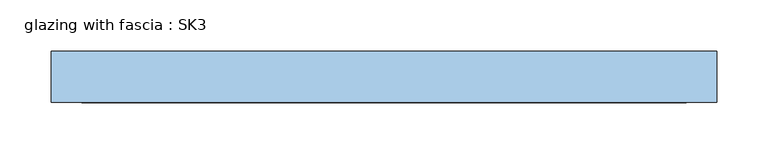
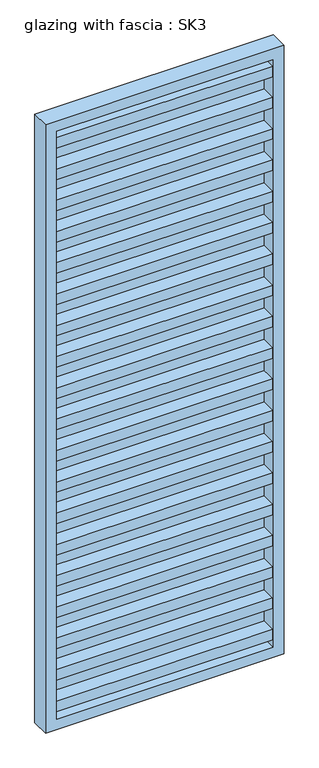
"""IFC4 building model written with IfcOpenShell, lengths in millimetres: window geometry, glazing with fascia : SK3."""

from ifc_helpers import new_model, si_unit, frame, origin, place, context, project, spatial, polyline, outline, extrude, source, transform, mapped, element, save


def glazing_with_fascia_sk3_9d59482e(model_context):
    return source(origin(), model_context, "Body", "SweptSolid", [
        extrude(outline(polyline([(295.0, -0.1334055), (295.0, -8.1334055), (-295.0, -8.1334055), (-295.0, -0.1334055), (295.0, -0.1334055)])), frame((0.0, 0.0, 30.0), z_axis=(0.0, 0.0, 1.0), x_axis=(1.0, 0.0, 0.0)), (0.0, 0.0, 1.0), 1690.0),
        extrude(outline(polyline([(1750.0, -325.0), (0.0, -325.0), (0.0, 325.0), (1750.0, 325.0), (1750.0, -325.0)]), holes=[polyline([(1720.0, -295.0), (1720.0, 295.0), (30.0, 295.0), (30.0, -295.0), (1720.0, -295.0)])]), frame((0.0, -50.0, 0.0), z_axis=(0.0, 1.0, 0.0), x_axis=(0.0, 0.0, 1.0)), (0.0, 0.0, 1.0), 50.0),
        extrude(outline(polyline([(-295.0, -48.1334055), (-295.0, -8.1334055), (295.0, -8.1334055), (295.0, -48.1334055), (-295.0, -48.1334055)])), frame((0.0, 0.0, 1580.4), z_axis=(0.0, 0.0, 1.0), x_axis=(1.0, 0.0, 0.0)), (0.0, 0.0, 1.0), 30.0),
        extrude(outline(polyline([(-295.0, -48.1334055), (-295.0, -8.1334055), (295.0, -8.1334055), (295.0, -48.1334055), (-295.0, -48.1334055)])), frame((0.0, 0.0, 1490.4), z_axis=(0.0, 0.0, 1.0), x_axis=(1.0, 0.0, 0.0)), (0.0, 0.0, 1.0), 30.0),
        extrude(outline(polyline([(-295.0, -48.1334055), (-295.0, -8.1334055), (295.0, -8.1334055), (295.0, -48.1334055), (-295.0, -48.1334055)])), frame((0.0, 0.0, 1400.4), z_axis=(0.0, 0.0, 1.0), x_axis=(1.0, 0.0, 0.0)), (0.0, 0.0, 1.0), 30.0),
        extrude(outline(polyline([(-295.0, -48.1334055), (-295.0, -8.1334055), (295.0, -8.1334055), (295.0, -48.1334055), (-295.0, -48.1334055)])), frame((0.0, 0.0, 1310.4), z_axis=(0.0, 0.0, 1.0), x_axis=(1.0, 0.0, 0.0)), (0.0, 0.0, 1.0), 30.0),
        extrude(outline(polyline([(-295.0, -48.1334055), (-295.0, -8.1334055), (295.0, -8.1334055), (295.0, -48.1334055), (-295.0, -48.1334055)])), frame((0.0, 0.0, 1220.4), z_axis=(0.0, 0.0, 1.0), x_axis=(1.0, 0.0, 0.0)), (0.0, 0.0, 1.0), 30.0),
        extrude(outline(polyline([(-295.0, -48.1334055), (-295.0, -8.1334055), (295.0, -8.1334055), (295.0, -48.1334055), (-295.0, -48.1334055)])), frame((0.0, 0.0, 1130.4), z_axis=(0.0, 0.0, 1.0), x_axis=(1.0, 0.0, 0.0)), (0.0, 0.0, 1.0), 30.0),
        extrude(outline(polyline([(-295.0, -48.1334055), (-295.0, -8.1334055), (295.0, -8.1334055), (295.0, -48.1334055), (-295.0, -48.1334055)])), frame((0.0, 0.0, 1040.4), z_axis=(0.0, 0.0, 1.0), x_axis=(1.0, 0.0, 0.0)), (0.0, 0.0, 1.0), 30.0),
        extrude(outline(polyline([(-295.0, -48.1334055), (-295.0, -8.1334055), (295.0, -8.1334055), (295.0, -48.1334055), (-295.0, -48.1334055)])), frame((0.0, 0.0, 950.4), z_axis=(0.0, 0.0, 1.0), x_axis=(1.0, 0.0, 0.0)), (0.0, 0.0, 1.0), 30.0),
        extrude(outline(polyline([(-295.0, -48.1334055), (-295.0, -8.1334055), (295.0, -8.1334055), (295.0, -48.1334055), (-295.0, -48.1334055)])), frame((0.0, 0.0, 860.4), z_axis=(0.0, 0.0, 1.0), x_axis=(1.0, 0.0, 0.0)), (0.0, 0.0, 1.0), 30.0),
        extrude(outline(polyline([(-295.0, -48.1334055), (-295.0, -8.1334055), (295.0, -8.1334055), (295.0, -48.1334055), (-295.0, -48.1334055)])), frame((0.0, 0.0, 770.4), z_axis=(0.0, 0.0, 1.0), x_axis=(1.0, 0.0, 0.0)), (0.0, 0.0, 1.0), 30.0),
        extrude(outline(polyline([(-295.0, -48.1334055), (-295.0, -8.1334055), (295.0, -8.1334055), (295.0, -48.1334055), (-295.0, -48.1334055)])), frame((0.0, 0.0, 680.4), z_axis=(0.0, 0.0, 1.0), x_axis=(1.0, 0.0, 0.0)), (0.0, 0.0, 1.0), 30.0),
        extrude(outline(polyline([(-295.0, -48.1334055), (-295.0, -8.1334055), (295.0, -8.1334055), (295.0, -48.1334055), (-295.0, -48.1334055)])), frame((0.0, 0.0, 590.4), z_axis=(0.0, 0.0, 1.0), x_axis=(1.0, 0.0, 0.0)), (0.0, 0.0, 1.0), 30.0),
        extrude(outline(polyline([(-295.0, -48.1334055), (-295.0, -8.1334055), (295.0, -8.1334055), (295.0, -48.1334055), (-295.0, -48.1334055)])), frame((0.0, 0.0, 500.4), z_axis=(0.0, 0.0, 1.0), x_axis=(1.0, 0.0, 0.0)), (0.0, 0.0, 1.0), 30.0),
        extrude(outline(polyline([(-295.0, -48.1334055), (-295.0, -8.1334055), (295.0, -8.1334055), (295.0, -48.1334055), (-295.0, -48.1334055)])), frame((0.0, 0.0, 410.4), z_axis=(0.0, 0.0, 1.0), x_axis=(1.0, 0.0, 0.0)), (0.0, 0.0, 1.0), 30.0),
        extrude(outline(polyline([(-295.0, -48.1334055), (-295.0, -8.1334055), (295.0, -8.1334055), (295.0, -48.1334055), (-295.0, -48.1334055)])), frame((0.0, 0.0, 320.4), z_axis=(0.0, 0.0, 1.0), x_axis=(1.0, 0.0, 0.0)), (0.0, 0.0, 1.0), 30.0),
        extrude(outline(polyline([(-295.0, -48.1334055), (-295.0, -8.1334055), (295.0, -8.1334055), (295.0, -48.1334055), (-295.0, -48.1334055)])), frame((0.0, 0.0, 230.4), z_axis=(0.0, 0.0, 1.0), x_axis=(1.0, 0.0, 0.0)), (0.0, 0.0, 1.0), 30.0),
        extrude(outline(polyline([(-295.0, -48.1334055), (-295.0, -8.1334055), (295.0, -8.1334055), (295.0, -48.1334055), (-295.0, -48.1334055)])), frame((0.0, 0.0, 140.4), z_axis=(0.0, 0.0, 1.0), x_axis=(1.0, 0.0, 0.0)), (0.0, 0.0, 1.0), 30.0),
        extrude(outline(polyline([(-295.0, -48.1334055), (-295.0, -8.1334055), (295.0, -8.1334055), (295.0, -48.1334055), (-295.0, -48.1334055)])), frame((0.0, 0.0, 50.4), z_axis=(0.0, 0.0, 1.0), x_axis=(1.0, 0.0, 0.0)), (0.0, 0.0, 1.0), 30.0),
        extrude(outline(polyline([(-295.0, -48.1334055), (-295.0, -8.1334055), (295.0, -8.1334055), (295.0, -48.1334055), (-295.0, -48.1334055)])), frame((0.0, 0.0, 1670.0), z_axis=(0.0, 0.0, 1.0), x_axis=(1.0, 0.0, 0.0)), (0.0, 0.0, 1.0), 30.0),
    ])


if __name__ == "__main__":
    model = new_model("IFC4")
    model_context = context("Model", 3, world=origin())
    ifc_project = project(units=[si_unit("LENGTHUNIT", "METRE", prefix="MILLI")], contexts=[model_context])
    site = spatial("IfcSite", under=ifc_project)
    building = spatial("IfcBuilding", under=site)
    placement = place(None, origin())
    glazing_with_fascia_sk3_shape = glazing_with_fascia_sk3_9d59482e(model_context)
    element("IfcWindow", 1, ObjectType="glazing with fascia : SK3", at=placement, inside=building, context=model_context, shape_type="MappedRepresentation", body=[
        mapped(glazing_with_fascia_sk3_shape, transform((0.0, 0.0, 0.0), x_axis=(1.0, 0.0, 0.0), y_axis=(0.0, 1.0, 0.0), z_axis=(0.0, 0.0, 1.0))),
    ])
    save(model, "model.ifc")
